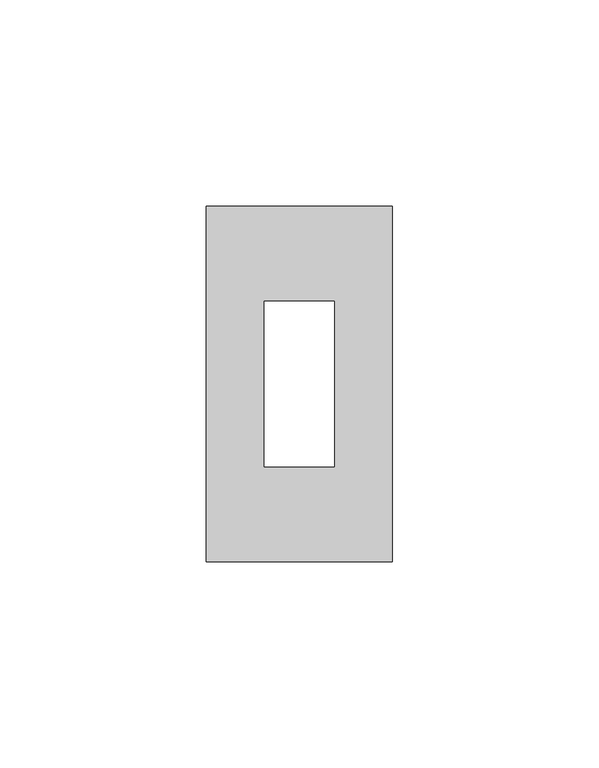
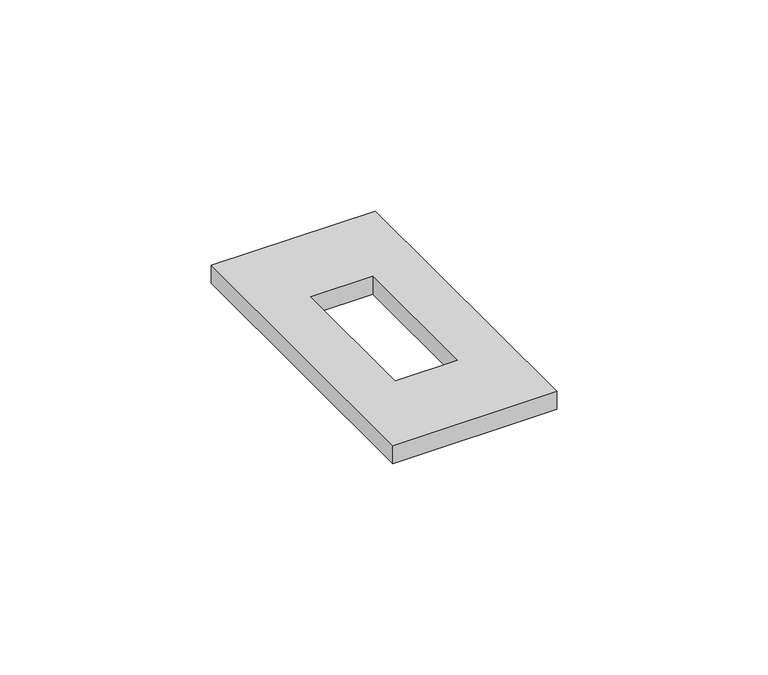
"""IFC4 building model written with IfcOpenShell, lengths in millimetres: proxy geometry."""

from ifc_helpers import new_model, si_unit, frame, origin, place, context, project, spatial, polyline, outline, extrude, source, transform, mapped, element, save


def electrical_fixtures_efea552e(model_context):
    return source(origin(), model_context, "Body", "SweptSolid", [
        extrude(outline(polyline([(0.0, 0.0), (0.0, 86.0), (45.0, 86.0), (45.0, 0.0), (0.0, 0.0)]), holes=[polyline([(14.0, 63.0), (14.0, 23.0), (31.0, 23.0), (31.0, 63.0), (14.0, 63.0)])]), frame((0.0, 0.0, 5.5), z_axis=(0.0, 0.0, 1.0), x_axis=(1.0, 0.0, 0.0)), (0.0, 0.0, 1.0), 5.2),
    ])


if __name__ == "__main__":
    model = new_model("IFC4")
    model_context = context("Model", 3, world=origin())
    ifc_project = project(units=[si_unit("LENGTHUNIT", "METRE", prefix="MILLI")], contexts=[model_context])
    site = spatial("IfcSite", under=ifc_project)
    building = spatial("IfcBuilding", under=site)
    placement = place(None, origin())
    electrical_fixtures_shape = electrical_fixtures_efea552e(model_context)
    element("IfcBuildingElementProxy", 1, Name="Electrical Fixtures", at=placement, inside=building, context=model_context, shape_type="MappedRepresentation", body=[
        mapped(electrical_fixtures_shape, transform((0.0, 0.0, 0.0), x_axis=(1.0, 0.0, 0.0), y_axis=(0.0, 1.0, 0.0), z_axis=(0.0, 0.0, 1.0))),
    ])
    save(model, "model.ifc")
